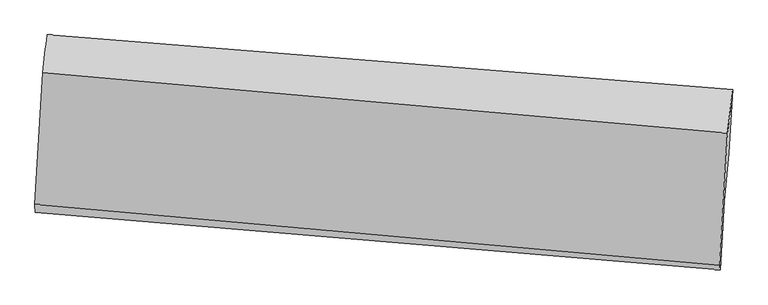
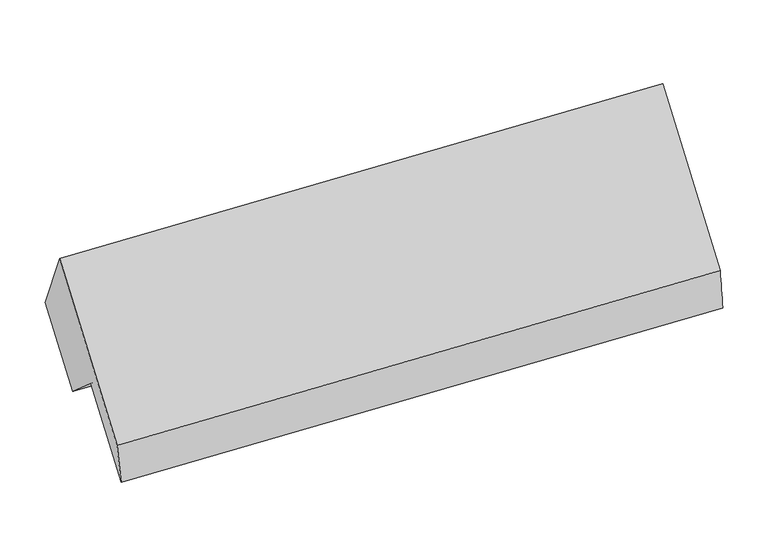
"""IFC4 building model written with IfcOpenShell, lengths in millimetres: proxy geometry."""

from ifc_helpers import new_model, si_unit, frame, origin, place, context, project, spatial, source, transform, mapped, element, save
from ifc_brep_helpers import plane_surface, spline_surface, advanced_brep


def generic_models_d5c1efee(model_context):
    return source(origin(), model_context, "Body", "AdvancedBrep", [
        advanced_brep(
        [(-5088.8518918, -956.0011954, 2638.9615597), (-5139.2609297, -1821.1784104, 1633.9652432), (-656.6471338, -2217.4911286, 1750.3004808), (-606.2380959, -1352.3139136, 2755.2967972), (-5138.2249764, -1873.7696259, 1361.3657789), (-653.4043174, -2247.4630567, 1458.1179218), (-5111.6468761, -1417.606054, 1891.2487919), (-627.2060719, -1797.8189844, 1980.4278354), (-5082.7445117, -1121.3707008, 1634.7771869), (-596.8324654, -1486.5041063, 1710.900834), (-5058.7328966, -709.2560641, 2113.4926277), (-572.4409954, -1067.86997, 2197.1893742)],
        [
            (0, 1),
            (1, 2),
            (2, 3),
            (3, 0),
            (1, 4),
            (4, 5),
            (5, 2),
            (4, 6),
            (6, 7),
            (7, 5),
            (6, 8),
            (8, 9),
            (9, 7),
            (8, 10),
            (10, 11),
            (11, 9),
            (10, 0),
            (3, 11),
        ],
        [
            plane_surface(frame((-5114.0564108, -1388.5898029, 2136.4634015), z_axis=(-0.08352055189209126, -0.753133808954014, 0.652544085270918), x_axis=(-0.037985478222298766, -0.6519499605555396, -0.7573099447226701))),
            spline_surface(1, 1, [[(-5139.2609297, -1821.1784104, 1633.9652432), (-656.6471338, -2217.4911286, 1750.3004808)], [(-5138.2249764, -1873.7696259, 1361.3657789), (-653.4043174, -2247.4630567, 1458.1179218)]], [2, 2], [2, 2], [0.0, 1.0], [0.0, 1.0]),
            plane_surface(frame((-5124.9359263, -1645.6878399, 1626.3072854), z_axis=(0.07688255167978929, 0.753703793339647, -0.6527018194800988), x_axis=(0.03798547822229938, 0.6519499605555464, 0.7573099447226643))),
            plane_surface(frame((-5097.1956939, -1269.4883774, 1763.0129894), z_axis=(-0.040199294598130514, -0.6517695067855644, -0.7573509930925785), x_axis=(0.07356210518378728, 0.7539762461830155, -0.6527698192109516))),
            plane_surface(frame((-5070.7387042, -915.3133824, 1874.1349073), z_axis=(0.07245510269955084, 0.7540652037202983, -0.6527908751132041), x_axis=(0.037985478222297774, 0.6519499605555416, 0.7573099447226684))),
            spline_surface(1, 1, [[(-5058.7328966, -709.2560641, 2113.4926277), (-572.4409954, -1067.86997, 2197.1893742)], [(-5088.8518918, -956.0011954, 2638.9615597), (-606.2380959, -1352.3139136, 2755.2967972)]], [2, 2], [2, 2], [0.0, 1.0], [0.0, 1.0]),
            plane_surface(frame((-618.7948466, -1694.9101933, 1975.3722072), z_axis=(0.9965669672054924, -0.08050508756222648, 0.0193186632934367), x_axis=(0.037985478222297774, 0.6519499605555416, 0.7573099447226684))),
            plane_surface(frame((-5103.2436804, -1316.5303418, 1878.9685314), z_axis=(-0.9965669672054923, 0.08050508756222864, -0.01931866329343762), x_axis=(0.05181330552098608, 0.4244723557438298, -0.9039571895727544))),
        ],
        [
            (0, [[1, 2, 3, 4]]),
            (1, [[5, 6, 7, -2]]),
            (2, [[8, 9, 10, -6]]),
            (3, [[11, 12, 13, -9]]),
            (4, [[14, 15, 16, -12]]),
            (5, [[17, -4, 18, -15]]),
            (6, [[-16, -18, -3, -7, -10, -13]]),
            (7, [[-17, -14, -11, -8, -5, -1]]),
        ],
    ),
    ])


if __name__ == "__main__":
    model = new_model("IFC4")
    model_context = context("Model", 3, world=origin())
    ifc_project = project(units=[si_unit("LENGTHUNIT", "METRE", prefix="MILLI")], contexts=[model_context])
    site = spatial("IfcSite", under=ifc_project)
    building = spatial("IfcBuilding", under=site)
    placement = place(None, origin())
    generic_models_shape = generic_models_d5c1efee(model_context)
    element("IfcBuildingElementProxy", 1, Name="Generic Models", at=placement, inside=building, context=model_context, shape_type="MappedRepresentation", body=[
        mapped(generic_models_shape, transform((0.0, 0.0, 0.0), x_axis=(1.0, 0.0, 0.0), y_axis=(0.0, 1.0, 0.0), z_axis=(0.0, 0.0, 1.0))),
    ])
    save(model, "model.ifc")
